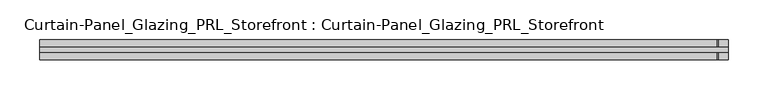
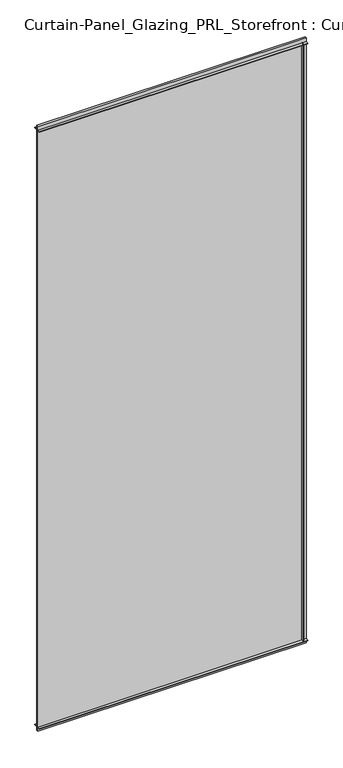
"""IFC4 building model written with IfcOpenShell, lengths in millimetres: plate geometry, Curtain-Panel_Glazing_PRL_Storefront : Curtain-Panel_Glazing_PRL_Storefront."""

from ifc_helpers import new_model, si_unit, frame, origin, origin_with_axes, place, context, project, spatial, polyline, outline, extrude, source, transform, mapped, element, save


def curtain_panel_glazing_prl_storefront_curtain_panel_glazing_1e1923b4(model_context):
    return source(origin(), model_context, "Body", "SweptSolid", [
        extrude(outline(polyline([(422.275, -12.7), (420.6875, -12.7), (420.6875, -3.175), (422.275, -3.175), (422.275, -12.7)])), frame((0.0, 0.0, 12.7), z_axis=(0.0, 0.0, 1.0), x_axis=(1.0, 0.0, 0.0)), (0.0, 0.0, 1.0), 2047.08125),
        extrude(outline(polyline([(422.275, 12.7), (422.275, 3.175), (420.6875, 3.175), (420.6875, 12.7), (422.275, 12.7)])), frame((0.0, 0.0, 12.7), z_axis=(0.0, 0.0, 1.0), x_axis=(1.0, 0.0, 0.0)), (0.0, 0.0, 1.0), 2047.08125),
        extrude(outline(polyline([(434.975, 3.175), (434.975, -3.175), (-434.975, -3.175), (-434.975, 3.175), (434.975, 3.175)])), origin_with_axes(), (0.0, 0.0, 1.0), 2072.48125),
        extrude(outline(polyline([(-434.975, -12.7), (-434.975, -3.175), (434.975, -3.175), (434.975, -12.7), (-434.975, -12.7)])), frame((0.0, 0.0, 2058.19375), z_axis=(0.0, 0.0, 1.0), x_axis=(1.0, 0.0, 0.0)), (0.0, 0.0, 1.0), 1.5875),
        extrude(outline(polyline([(-434.975, 12.7), (434.975, 12.7), (434.975, 3.175), (-434.975, 3.175), (-434.975, 12.7)])), frame((0.0, 0.0, 2058.19375), z_axis=(0.0, 0.0, 1.0), x_axis=(1.0, 0.0, 0.0)), (0.0, 0.0, 1.0), 1.5875),
        extrude(outline(polyline([(-434.975, -12.7), (-434.975, -3.175), (434.975, -3.175), (434.975, -12.7), (-434.975, -12.7)])), frame((0.0, 0.0, 12.7), z_axis=(0.0, 0.0, 1.0), x_axis=(1.0, 0.0, 0.0)), (0.0, 0.0, 1.0), 1.5875),
        extrude(outline(polyline([(-434.975, 12.7), (434.975, 12.7), (434.975, 3.175), (-434.975, 3.175), (-434.975, 12.7)])), frame((0.0, 0.0, 12.7), z_axis=(0.0, 0.0, 1.0), x_axis=(1.0, 0.0, 0.0)), (0.0, 0.0, 1.0), 1.5875),
    ])


if __name__ == "__main__":
    model = new_model("IFC4")
    model_context = context("Model", 3, world=origin())
    ifc_project = project(units=[si_unit("LENGTHUNIT", "METRE", prefix="MILLI")], contexts=[model_context])
    site = spatial("IfcSite", under=ifc_project)
    building = spatial("IfcBuilding", under=site)
    placement = place(None, origin())
    curtain_panel_glazing_prl_storefront_curtain_panel_glazing_shape = curtain_panel_glazing_prl_storefront_curtain_panel_glazing_1e1923b4(model_context)
    element("IfcPlate", 1, ObjectType="Curtain-Panel_Glazing_PRL_Storefront : Curtain-Panel_Glazing_PRL_Storefront", at=placement, inside=building, context=model_context, shape_type="MappedRepresentation", body=[
        mapped(curtain_panel_glazing_prl_storefront_curtain_panel_glazing_shape, transform((0.0, 0.0, 0.0), x_axis=(1.0, 0.0, 0.0), y_axis=(0.0, 1.0, 0.0), z_axis=(0.0, 0.0, 1.0))),
    ])
    save(model, "model.ifc")
